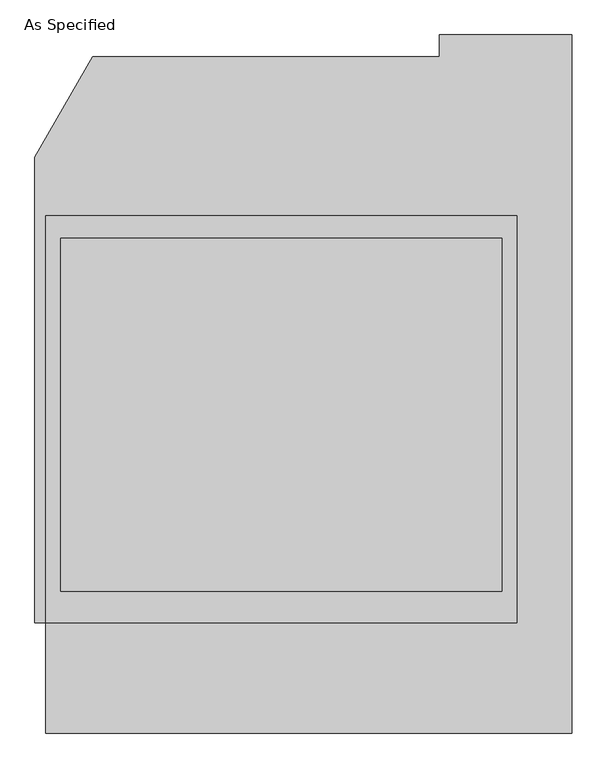
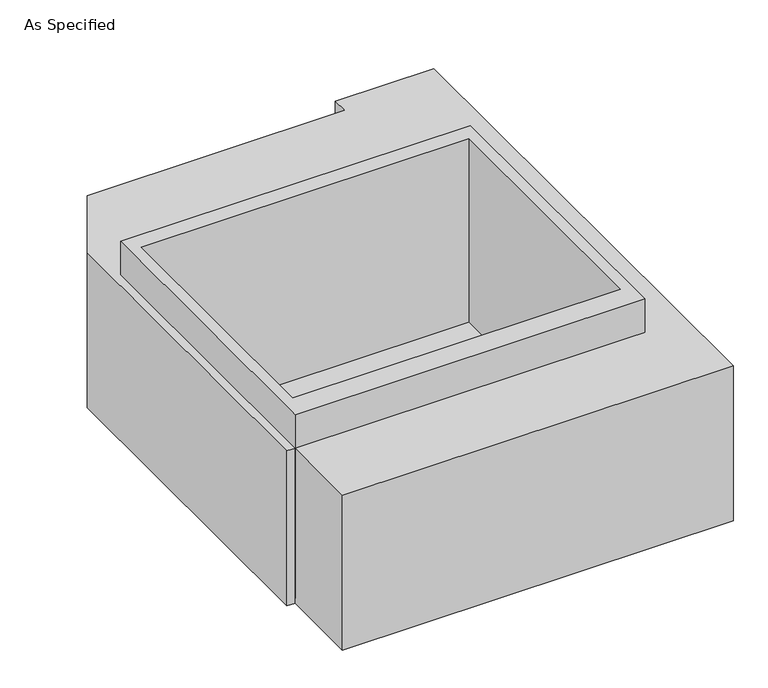
"""IFC4 building model written with IfcOpenShell, lengths in millimetres: proxy geometry, As Specified."""

from ifc_helpers import new_model, si_unit, frame, origin, place, context, project, spatial, polyline, outline, extrude, faceted_brep, source, transform, mapped, element, save


def as_specified_4b0c387e(model_context):
    return source(origin(), model_context, "Body", "SolidModel", [
        extrude(outline(polyline([(812.8, 617.8351562), (812.8, -785.5148438), (-812.8, -785.5148438), (-812.8, 617.8351562), (812.8, 617.8351562)]), holes=[polyline([(-762.0, 541.6748437), (-762.0, -677.5251563), (762.0, -677.5251563), (762.0, 541.6748437), (-762.0, 541.6748437)])]), frame((0.0, 0.0, -762.0), z_axis=(0.0, 0.0, 1.0), x_axis=(1.0, 0.0, 0.0)), (0.0, 0.0, 1.0), 901.7),
        faceted_brep([(-812.8, -1166.5148438, -787.4), (-812.8, -785.5148438, -787.4), (-850.9, -785.5148438, -787.4), (-850.9, 821.0748437, -787.4), (-651.460123, 1166.5148437, -787.4), (546.1, 1166.5148437, -787.4), (546.1, 1242.6751562, -787.4), (1003.3, 1242.6751562, -787.4), (1003.3, -1166.5148438, -787.4), (-812.8, -785.5148438, -25.4), (-812.8, -1166.5148438, -25.4), (1003.3, -1166.5148438, -25.4), (1003.3, 1242.6751562, -25.4), (546.1, 1242.6751562, -25.4), (546.1, 1166.5148437, -25.4), (-651.460123, 1166.5148437, -25.4), (-850.9, 821.0748437, -25.4), (-850.9, -785.5148438, -25.4), (762.0, 541.6748437, -25.4), (762.0, -677.5251563, -25.4), (-762.0, -677.5251563, -25.4), (-762.0, 541.6748437, -25.4), (762.0, 541.6748437, -762.0), (-762.0, 541.6748437, -762.0), (-762.0, -677.5251563, -762.0), (762.0, -677.5251563, -762.0)], [[[0, 1, 2, 3, 4, 5, 6, 7, 8]], [[9, 10, 11, 12, 13, 14, 15, 16, 17], [18, 19, 20, 21]], [[4, 15, 14, 5]], [[2, 17, 16, 3]], [[17, 2, 1, 9]], [[1, 0, 10, 9]], [[10, 0, 8, 11]], [[4, 3, 16, 15]], [[22, 23, 24, 25]], [[22, 25, 19, 18]], [[25, 24, 20, 19]], [[24, 23, 21, 20]], [[23, 22, 18, 21]], [[8, 7, 12, 11]], [[6, 5, 14, 13]], [[7, 6, 13, 12]]]),
    ])


if __name__ == "__main__":
    model = new_model("IFC4")
    model_context = context("Model", 3, world=origin())
    ifc_project = project(units=[si_unit("LENGTHUNIT", "METRE", prefix="MILLI")], contexts=[model_context])
    site = spatial("IfcSite", under=ifc_project)
    building = spatial("IfcBuilding", under=site)
    placement = place(None, origin())
    as_specified_shape = as_specified_4b0c387e(model_context)
    element("IfcBuildingElementProxy", 1, Name="As Specified", ObjectType="As Specified", at=placement, inside=building, context=model_context, shape_type="MappedRepresentation", body=[
        mapped(as_specified_shape, transform((0.0, 0.0, 0.0), x_axis=(1.0, 0.0, 0.0), y_axis=(0.0, 1.0, 0.0), z_axis=(0.0, 0.0, 1.0))),
    ])
    save(model, "model.ifc")
